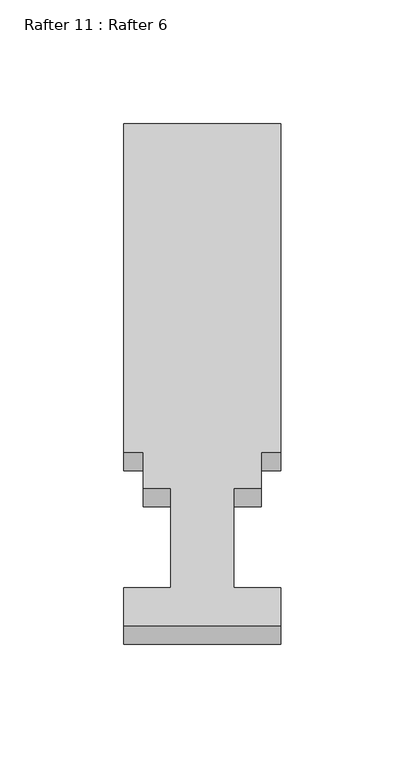
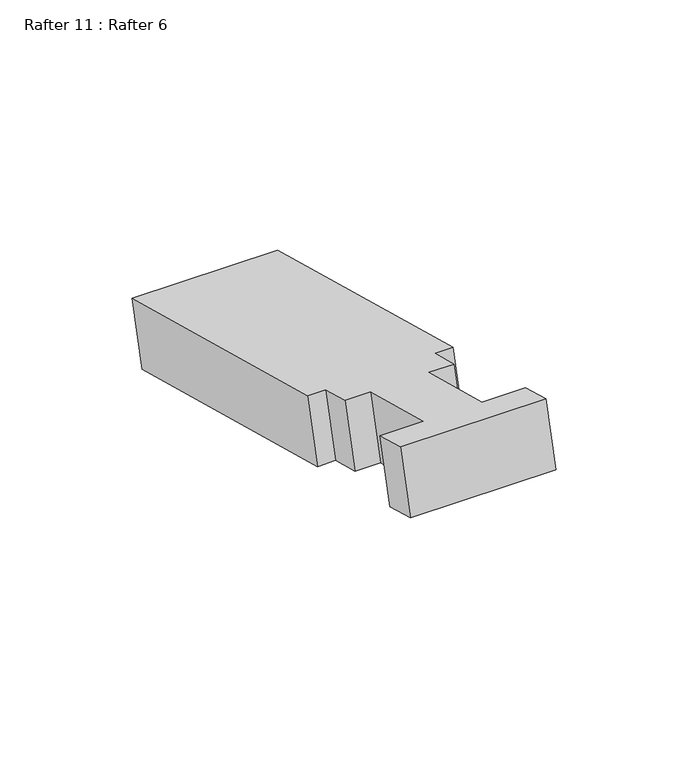
"""IFC4 building model written with IfcOpenShell, lengths in millimetres: proxy geometry, Rafter 11 : Rafter 6."""

from ifc_helpers import new_model, si_unit, frame, origin, place, context, project, spatial, polyline, outline, extrude, source, transform, mapped, element, save


def rafter_11_rafter_6_5f4da051(model_context):
    return source(origin(), model_context, "Body", "SweptSolid", [
        extrude(outline(polyline([(-63.5, 0.0), (0.0, 0.0), (0.0, -15.875), (-19.05, -15.875), (-19.05, -57.531), (-7.9248, -57.531), (-7.9248, -72.5932), (0.0, -72.5932), (0.0, -209.9310001), (-63.5, -209.9310001), (-63.5, -72.5932), (-55.5752, -72.5932), (-55.5752, -57.531), (-44.45, -57.531), (-44.45, -15.875), (-63.5, -15.875), (-63.5, 0.0)])), frame((-3177.5232944, 2491.0335405, 927.5276005), z_axis=(0.0, 0.2588190451025275, 0.9659258262890665), x_axis=(-1.0, 0.0, 0.0)), (0.0, 0.0, 1.0), 29.1531507),
    ])


if __name__ == "__main__":
    model = new_model("IFC4")
    model_context = context("Model", 3, world=origin())
    ifc_project = project(units=[si_unit("LENGTHUNIT", "METRE", prefix="MILLI")], contexts=[model_context])
    site = spatial("IfcSite", under=ifc_project)
    building = spatial("IfcBuilding", under=site)
    placement = place(None, origin())
    rafter_11_rafter_6_shape = rafter_11_rafter_6_5f4da051(model_context)
    element("IfcBuildingElementProxy", 1, Name="Rafter 11 : Rafter 6", ObjectType="Rafter 11 : Rafter 6", at=placement, inside=building, context=model_context, shape_type="MappedRepresentation", body=[
        mapped(rafter_11_rafter_6_shape, transform((0.0, 0.0, 0.0), x_axis=(1.0, 0.0, 0.0), y_axis=(0.0, 1.0, 0.0), z_axis=(0.0, 0.0, 1.0))),
    ])
    save(model, "model.ifc")
